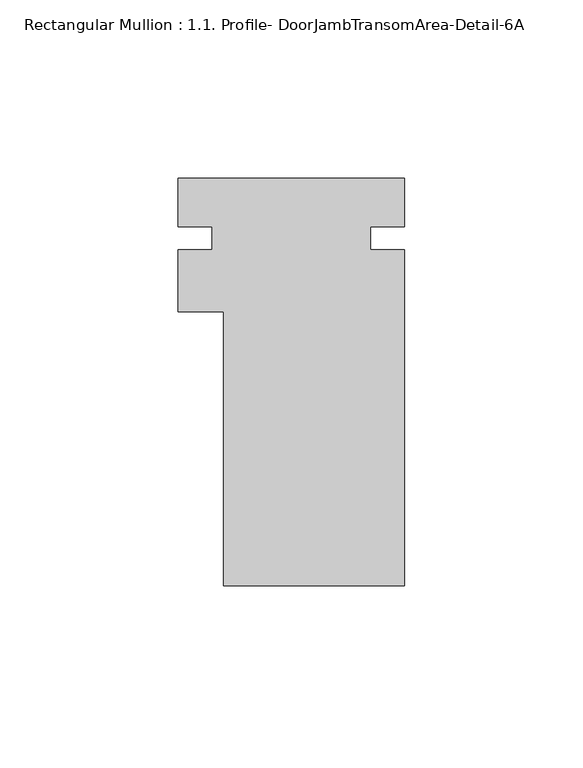
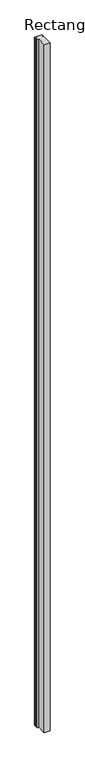
"""IFC4 building model written with IfcOpenShell, lengths in millimetres: member geometry, Rectangular Mullion : 1.1. Profile- DoorJambTransomArea-Detail-6A."""

from ifc_helpers import new_model, si_unit, frame, origin, place, context, project, spatial, polyline, outline, extrude, source, transform, mapped, element, save


def rectangular_mullion_1_1_profile_doorjambtransomarea_detail_8660e01f(model_context):
    return source(origin(), model_context, "Body", "SweptSolid", [
        extrude(outline(polyline([(25.4, -57.235725), (-25.4, -57.235725), (-25.4, 19.599275), (-38.0999959, 19.599275), (-38.0999959, 37.061775), (-28.5749959, 37.061775), (-28.5749959, 43.411775), (-38.0999959, 43.411775), (-38.0999959, 57.064275), (25.4, 57.064275), (25.4, 43.411775), (15.875, 43.411775), (15.875, 37.061775), (25.4, 37.061775), (25.4, -57.235725)])), frame((0.0, 0.0, -6096.0), z_axis=(0.0, 0.0, 1.0), x_axis=(1.0, 0.0, 0.0)), (0.0, 0.0, 1.0), 6096.0),
    ])


if __name__ == "__main__":
    model = new_model("IFC4")
    model_context = context("Model", 3, world=origin())
    ifc_project = project(units=[si_unit("LENGTHUNIT", "METRE", prefix="MILLI")], contexts=[model_context])
    site = spatial("IfcSite", under=ifc_project)
    building = spatial("IfcBuilding", under=site)
    placement = place(None, origin())
    rectangular_mullion_1_1_profile_doorjambtransomarea_detail_shape = rectangular_mullion_1_1_profile_doorjambtransomarea_detail_8660e01f(model_context)
    element("IfcMember", 1, ObjectType="Rectangular Mullion : 1.1. Profile- DoorJambTransomArea-Detail-6A", at=placement, inside=building, context=model_context, shape_type="MappedRepresentation", body=[
        mapped(rectangular_mullion_1_1_profile_doorjambtransomarea_detail_shape, transform((0.0, 0.0, 0.0), x_axis=(1.0, 0.0, 0.0), y_axis=(0.0, 1.0, 0.0), z_axis=(0.0, 0.0, 1.0))),
    ])
    save(model, "model.ifc")
